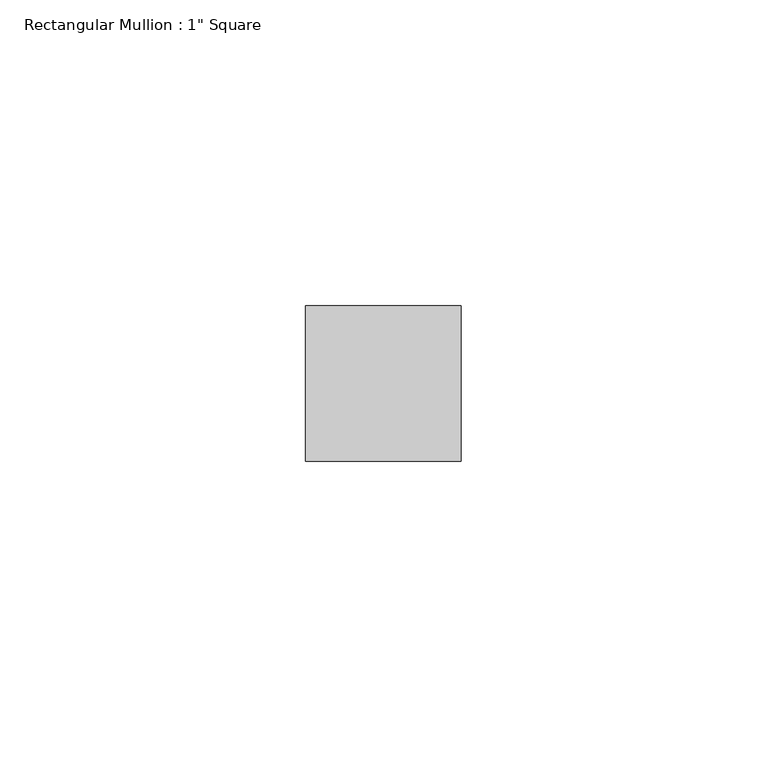
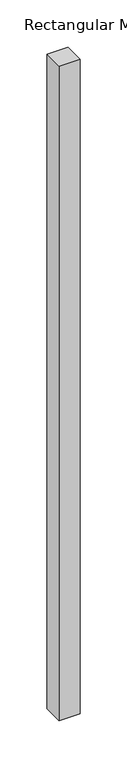
"""IFC4 building model written with IfcOpenShell, lengths in millimetres: member geometry."""

from ifc_helpers import new_model, si_unit, frame, origin, place, context, project, spatial, polyline, outline, extrude, source, transform, mapped, element, save


def member_8d045a54(model_context):
    return source(origin(), model_context, "Body", "SweptSolid", [
        extrude(outline(polyline([(0.0, 12.7), (0.0, -12.7), (-25.4, -12.7), (-25.4, 12.7), (0.0, 12.7)])), frame((0.0, 0.0, -845.8977168), z_axis=(0.0, 0.0, 1.0), x_axis=(1.0, 0.0, 0.0)), (0.0, 0.0, 1.0), 845.8977168),
    ])


if __name__ == "__main__":
    model = new_model("IFC4")
    model_context = context("Model", 3, world=origin())
    ifc_project = project(units=[si_unit("LENGTHUNIT", "METRE", prefix="MILLI")], contexts=[model_context])
    site = spatial("IfcSite", under=ifc_project)
    building = spatial("IfcBuilding", under=site)
    placement = place(None, origin())
    member_shape = member_8d045a54(model_context)
    element("IfcMember", 1, ObjectType="Rectangular Mullion : 1\" Square", at=placement, inside=building, context=model_context, shape_type="MappedRepresentation", body=[
        mapped(member_shape, transform((0.0, 0.0, 0.0), x_axis=(1.0, 0.0, 0.0), y_axis=(0.0, 1.0, 0.0), z_axis=(0.0, 0.0, 1.0))),
    ])
    save(model, "model.ifc")
